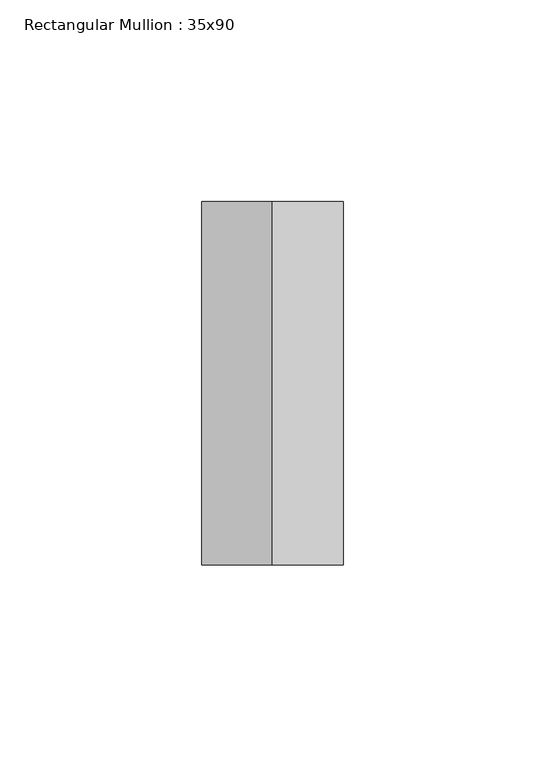
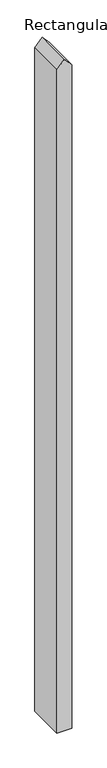
"""IFC4 building model written with IfcOpenShell, lengths in millimetres: member geometry, Rectangular Mullion : 35x90."""

from ifc_helpers import new_model, si_unit, frame, origin, place, context, project, spatial, polyline, outline, extrude, source, transform, mapped, element, save


def rectangular_mullion_35x90_205049d9(model_context):
    return source(origin(), model_context, "Body", "SweptSolid", [
        extrude(outline(polyline([(-73.6706425, 17.5), (-53.4633831, 0.0), (-73.6706425, -17.5), (-1732.0508076, -17.5), (-1732.0508076, 17.5), (-73.6706425, 17.5)])), frame((0.0, -45.0, 0.0), z_axis=(0.0, 1.0, 0.0), x_axis=(0.0, 0.0, 1.0)), (0.0, 0.0, 1.0), 90.0),
    ])


if __name__ == "__main__":
    model = new_model("IFC4")
    model_context = context("Model", 3, world=origin())
    ifc_project = project(units=[si_unit("LENGTHUNIT", "METRE", prefix="MILLI")], contexts=[model_context])
    site = spatial("IfcSite", under=ifc_project)
    building = spatial("IfcBuilding", under=site)
    placement = place(None, origin())
    rectangular_mullion_35x90_shape = rectangular_mullion_35x90_205049d9(model_context)
    element("IfcMember", 1, ObjectType="Rectangular Mullion : 35x90", at=placement, inside=building, context=model_context, shape_type="MappedRepresentation", body=[
        mapped(rectangular_mullion_35x90_shape, transform((0.0, 0.0, 0.0), x_axis=(1.0, 0.0, 0.0), y_axis=(0.0, 1.0, 0.0), z_axis=(0.0, 0.0, 1.0))),
    ])
    save(model, "model.ifc")
